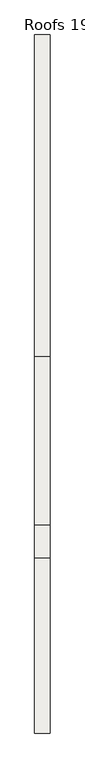
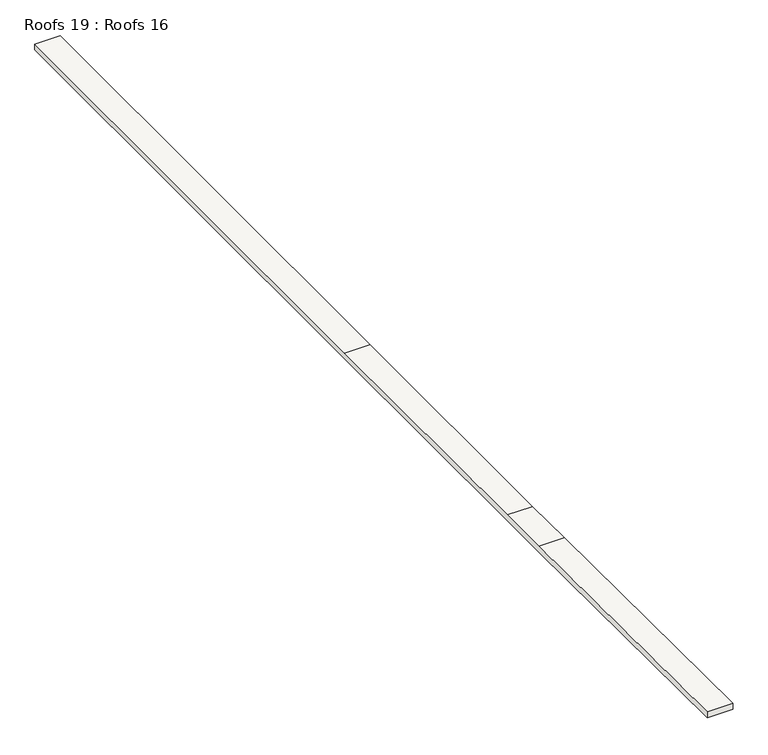
"""IFC4 building model written with IfcOpenShell, lengths in millimetres: roof geometry, Roofs 19 : Roofs 16."""

from ifc_helpers import new_model, si_unit, origin, place, context, project, spatial, faceted_brep, source, transform, mapped, element, save


def roofs_19_roofs_16_0b76f72b(model_context):
    return source(origin(), model_context, "Body", "Brep", [
        faceted_brep([(-25930.0603773, 1228.1188459, -1676.4), (-26342.8103773, 1228.1188459, -1676.4), (-26342.8103773, 1227.3856975, -1777.9973548), (-25930.0603773, 1227.3856975, -1777.9973548), (-25930.0603773, 20183.3698813, -1689.1), (-25930.0603773, 20183.568322, -1790.6998062), (-26342.8103773, 20183.568322, -1790.6998062), (-26342.8103773, 20183.3698813, -1689.1), (-25930.0603773, 5975.7037303, -1812.2622424), (-25930.0603773, 6865.0703092, -1812.2622424), (-25930.0603773, 11449.0790299, -1807.7596096), (-25930.0603773, 11448.9792325, -1706.1596586), (-25930.0603773, 6865.0703092, -1710.6622424), (-25930.0603773, 5976.0703092, -1710.6622424), (-26342.8103773, 5975.7037303, -1812.2622424), (-26342.8103773, 5976.0703092, -1710.6622424), (-26342.8103773, 6865.0703092, -1710.6622424), (-26342.8103773, 11448.9792325, -1706.1596586), (-26342.8103773, 11449.07903, -1807.7596574), (-26342.8103773, 6865.0703092, -1812.2622914)], [[[0, 1, 2, 3]], [[4, 5, 6, 7]], [[0, 3, 8, 9, 10, 5, 4, 11, 12, 13]], [[3, 2, 14, 8]], [[2, 1, 15, 16, 17, 7, 6, 18, 19, 14]], [[1, 0, 13, 15]], [[8, 14, 19, 9]], [[15, 13, 12, 16]], [[9, 19, 18, 10]], [[16, 12, 11, 17]], [[10, 18, 6, 5]], [[17, 11, 4, 7]]]),
    ])


if __name__ == "__main__":
    model = new_model("IFC4")
    model_context = context("Model", 3, world=origin())
    ifc_project = project(units=[si_unit("LENGTHUNIT", "METRE", prefix="MILLI")], contexts=[model_context])
    site = spatial("IfcSite", under=ifc_project)
    building = spatial("IfcBuilding", under=site)
    placement = place(None, origin())
    roofs_19_roofs_16_shape = roofs_19_roofs_16_0b76f72b(model_context)
    element("IfcRoof", 1, ObjectType="Roofs 19 : Roofs 16", at=placement, inside=building, context=model_context, shape_type="MappedRepresentation", body=[
        mapped(roofs_19_roofs_16_shape, transform((0.0, 0.0, 0.0), x_axis=(1.0, 0.0, 0.0), y_axis=(0.0, 1.0, 0.0), z_axis=(0.0, 0.0, 1.0))),
    ])
    save(model, "model.ifc")
